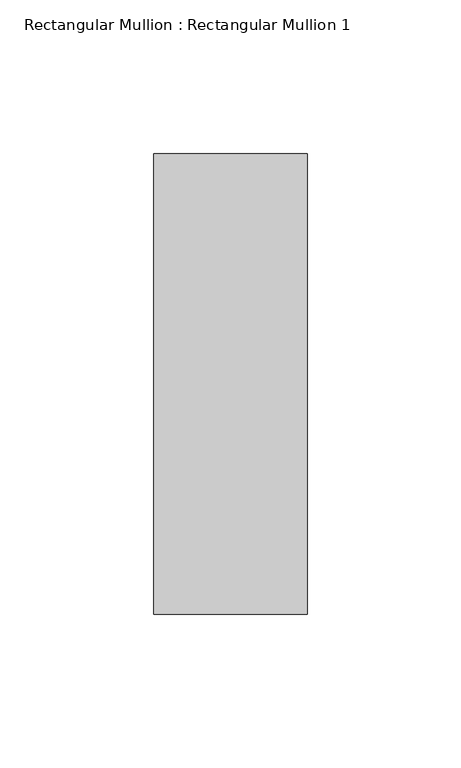
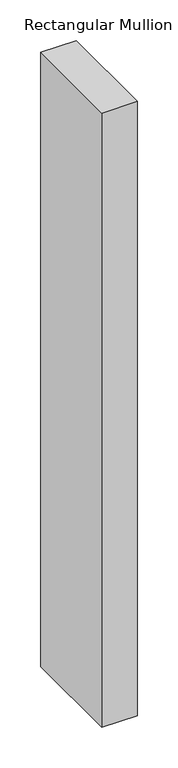
"""IFC4 building model written with IfcOpenShell, lengths in millimetres: member geometry, Rectangular Mullion : Rectangular Mullion 1."""

from ifc_helpers import new_model, si_unit, frame, origin, place, context, project, spatial, polyline, outline, extrude, source, transform, mapped, element, save


def rectangular_mullion_rectangular_mullion_1_801ec5af(model_context):
    return source(origin(), model_context, "Body", "SweptSolid", [
        extrude(outline(polyline([(0.0, 75.0), (0.0, -75.0), (-50.0, -75.0), (-50.0, 75.0), (0.0, 75.0)])), frame((0.0, 0.0, -920.0), z_axis=(0.0, 0.0, 1.0), x_axis=(1.0, 0.0, 0.0)), (0.0, 0.0, 1.0), 920.0),
    ])


if __name__ == "__main__":
    model = new_model("IFC4")
    model_context = context("Model", 3, world=origin())
    ifc_project = project(units=[si_unit("LENGTHUNIT", "METRE", prefix="MILLI")], contexts=[model_context])
    site = spatial("IfcSite", under=ifc_project)
    building = spatial("IfcBuilding", under=site)
    placement = place(None, origin())
    rectangular_mullion_rectangular_mullion_1_shape = rectangular_mullion_rectangular_mullion_1_801ec5af(model_context)
    element("IfcMember", 1, ObjectType="Rectangular Mullion : Rectangular Mullion 1", at=placement, inside=building, context=model_context, shape_type="MappedRepresentation", body=[
        mapped(rectangular_mullion_rectangular_mullion_1_shape, transform((0.0, 0.0, 0.0), x_axis=(1.0, 0.0, 0.0), y_axis=(0.0, 1.0, 0.0), z_axis=(0.0, 0.0, 1.0))),
    ])
    save(model, "model.ifc")
